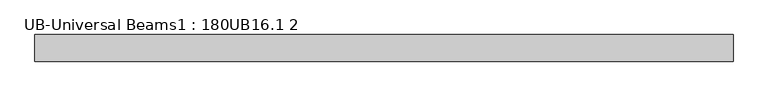
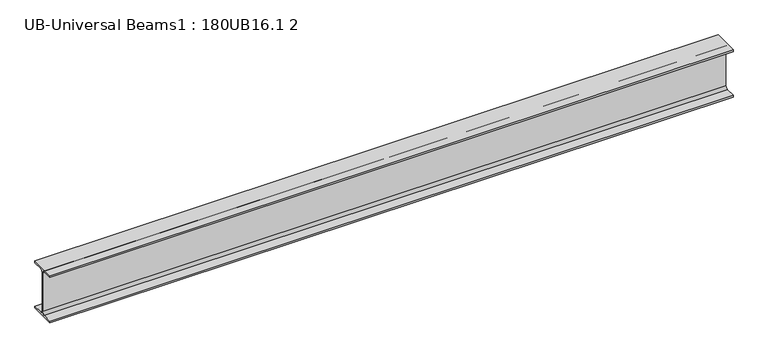
"""IFC4 building model written with IfcOpenShell, lengths in millimetres: beam geometry, UB-Universal Beams1 : 180UB16.1 2."""

from ifc_helpers import new_model, si_unit, point, frame, frame_2d, origin, place, context, project, spatial, polyline, circle_curve, trimmed, segment, composite_curve, outline, extrude, source, transform, mapped, element, save


def ub_universal_beams1_180ub16_1_2_0ceb9c67(model_context):
    return source(origin(), model_context, "Body", "SweptSolid", [
        extrude(outline(composite_curve([segment(polyline([(45.0, -79.5), (45.0, -86.5), (-45.0, -86.5), (-45.0, -79.5), (-11.15, -79.5)]), True, "CONTINUOUS"), segment(trimmed(circle_curve(frame_2d((-11.15, -70.6)), 8.9), [point((-11.15, -79.5))], [point((-2.25, -70.6))], True, "CARTESIAN"), True, "CONTINUOUS"), segment(polyline([(-2.25, -70.6), (-2.25, 70.6)]), True, "CONTINUOUS"), segment(trimmed(circle_curve(frame_2d((-11.15, 70.6)), 8.9), [point((-2.25, 70.6))], [point((-11.15, 79.5))], True, "CARTESIAN"), True, "CONTINUOUS"), segment(polyline([(-11.15, 79.5), (-45.0, 79.5), (-45.0, 86.5), (45.0, 86.5), (45.0, 79.5), (11.15, 79.5)]), True, "CONTINUOUS"), segment(trimmed(circle_curve(frame_2d((11.15, 70.6)), 8.9), [point((11.15, 79.5))], [point((2.25, 70.6))], True, "CARTESIAN"), True, "CONTINUOUS"), segment(polyline([(2.25, 70.6), (2.25, -70.6)]), True, "CONTINUOUS"), segment(trimmed(circle_curve(frame_2d((11.15, -70.6)), 8.9), [point((2.25, -70.6))], [point((11.15, -79.5))], True, "CARTESIAN"), True, "CONTINUOUS"), segment(polyline([(11.15, -79.5), (45.0, -79.5)]), True, "CONTINUOUS")], self_intersect=False)), frame((-1180.5, 0.0, 0.0), z_axis=(1.0, 0.0, 0.0), x_axis=(0.0, 1.0, 0.0)), (0.0, 0.0, 1.0), 2361.0),
    ])


if __name__ == "__main__":
    model = new_model("IFC4")
    model_context = context("Model", 3, world=origin())
    ifc_project = project(units=[si_unit("LENGTHUNIT", "METRE", prefix="MILLI")], contexts=[model_context])
    site = spatial("IfcSite", under=ifc_project)
    building = spatial("IfcBuilding", under=site)
    placement = place(None, origin())
    ub_universal_beams1_180ub16_1_2_shape = ub_universal_beams1_180ub16_1_2_0ceb9c67(model_context)
    element("IfcBeam", 1, ObjectType="UB-Universal Beams1 : 180UB16.1 2", at=placement, inside=building, context=model_context, shape_type="MappedRepresentation", body=[
        mapped(ub_universal_beams1_180ub16_1_2_shape, transform((0.0, 0.0, 0.0), x_axis=(1.0, 0.0, 0.0), y_axis=(0.0, 1.0, 0.0), z_axis=(0.0, 0.0, 1.0))),
    ])
    save(model, "model.ifc")
